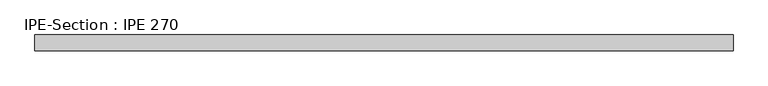
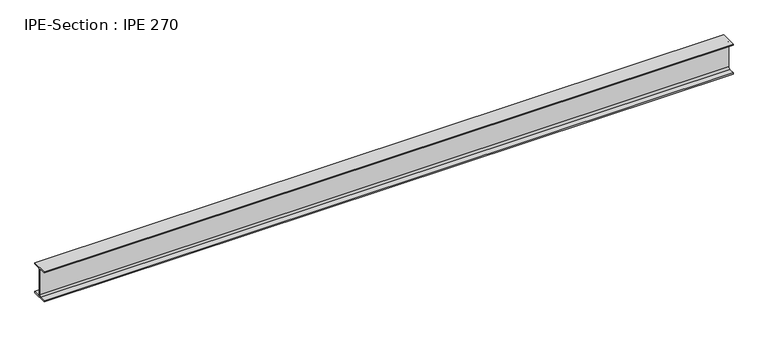
"""IFC4 building model written with IfcOpenShell, lengths in millimetres: beam geometry, IPE-Section : IPE 270."""

from ifc_helpers import new_model, si_unit, point, frame, frame_2d, origin, place, context, project, spatial, polyline, circle_curve, trimmed, segment, composite_curve, outline, extrude, source, transform, mapped, element, save


def ipe_section_ipe_270_f69aed56(model_context):
    return source(origin(), model_context, "Body", "SweptSolid", [
        extrude(outline(composite_curve([segment(polyline([(-67.5, -124.8), (-18.3, -124.8)]), True, "CONTINUOUS"), segment(trimmed(circle_curve(frame_2d((-18.3, -109.8)), 15.0), [point((-18.3, -124.8))], [point((-3.3, -109.8))], True, "CARTESIAN"), True, "CONTINUOUS"), segment(polyline([(-3.3, -109.8), (-3.3, 109.8)]), True, "CONTINUOUS"), segment(trimmed(circle_curve(frame_2d((-18.3, 109.8)), 15.0), [point((-3.3, 109.8))], [point((-18.3, 124.8))], True, "CARTESIAN"), True, "CONTINUOUS"), segment(polyline([(-18.3, 124.8), (-67.5, 124.8), (-67.5, 135.0), (67.5, 135.0), (67.5, 124.8), (18.3, 124.8)]), True, "CONTINUOUS"), segment(trimmed(circle_curve(frame_2d((18.3, 109.8)), 15.0), [point((18.3, 124.8))], [point((3.3, 109.8))], True, "CARTESIAN"), True, "CONTINUOUS"), segment(polyline([(3.3, 109.8), (3.3, -109.8)]), True, "CONTINUOUS"), segment(trimmed(circle_curve(frame_2d((18.3, -109.8)), 15.0), [point((3.3, -109.8))], [point((18.3, -124.8))], True, "CARTESIAN"), True, "CONTINUOUS"), segment(polyline([(18.3, -124.8), (67.5, -124.8), (67.5, -135.0), (-67.5, -135.0), (-67.5, -124.8)]), True, "CONTINUOUS")], self_intersect=False)), frame((-2927.5568143, 0.0, 0.0), z_axis=(1.0, 0.0, 0.0), x_axis=(0.0, 1.0, 0.0)), (0.0, 0.0, 1.0), 5864.0444563),
    ])


if __name__ == "__main__":
    model = new_model("IFC4")
    model_context = context("Model", 3, world=origin())
    ifc_project = project(units=[si_unit("LENGTHUNIT", "METRE", prefix="MILLI")], contexts=[model_context])
    site = spatial("IfcSite", under=ifc_project)
    building = spatial("IfcBuilding", under=site)
    placement = place(None, origin())
    ipe_section_ipe_270_shape = ipe_section_ipe_270_f69aed56(model_context)
    element("IfcBeam", 1, ObjectType="IPE-Section : IPE 270", at=placement, inside=building, context=model_context, shape_type="MappedRepresentation", body=[
        mapped(ipe_section_ipe_270_shape, transform((0.0, 0.0, 0.0), x_axis=(1.0, 0.0, 0.0), y_axis=(0.0, 1.0, 0.0), z_axis=(0.0, 0.0, 1.0))),
    ])
    save(model, "model.ifc")
